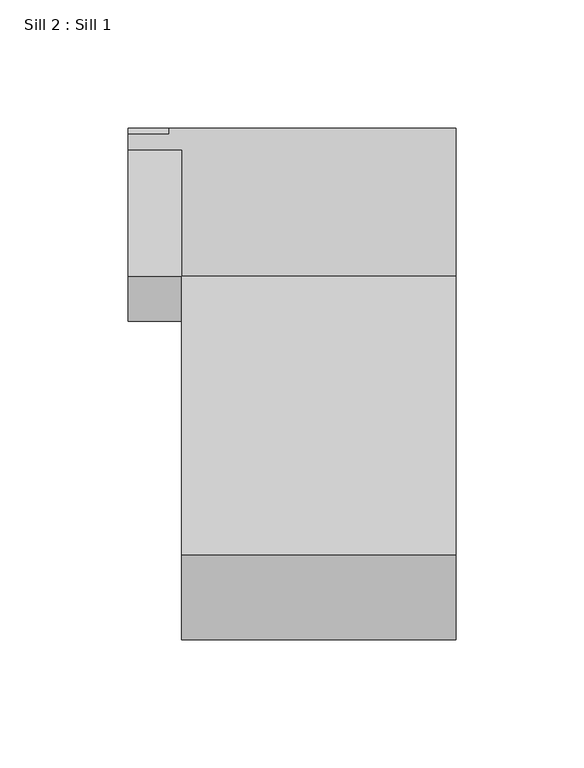
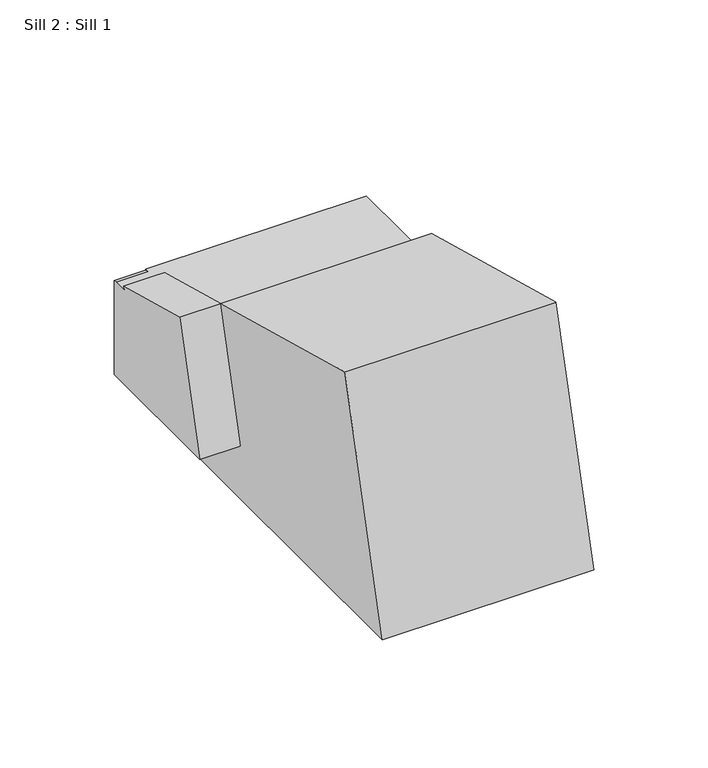
"""IFC4 building model written with IfcOpenShell, lengths in millimetres: proxy geometry, Sill 2 : Sill 1."""

from ifc_helpers import new_model, si_unit, origin, place, context, project, spatial, faceted_brep, source, transform, mapped, element, save


def sill_2_sill_1_778d44bc(model_context):
    return source(origin(), model_context, "Body", "Brep", [
        faceted_brep([(-5010.5881444, 397.8809419, 996.5483741), (-5010.5881444, 506.3892765, 967.4736534), (-5010.8484944, 506.3892765, 967.4736534), (-5117.4847818, 506.3892765, 967.4736534), (-5117.4847818, 397.8809419, 996.5483741), (-5010.8484944, 397.8809419, 996.5483741), (-5010.5881444, 364.8580655, 873.3053218), (-5010.5881444, 563.8682282, 873.3053218), (-5010.5881444, 563.8682282, 952.6803218), (-5010.5881444, 502.4254152, 952.6803218), (-5117.4847818, 364.8580655, 873.3053218), (-5117.4847818, 502.4254152, 952.6803218), (-5117.4847818, 488.8135962, 901.8803218), (-5117.4847818, 563.8682282, 901.8803218), (-5117.4847818, 563.8682282, 873.3053218), (-5138.1633868, 563.8682282, 901.8803218), (-5138.1633868, 563.8682282, 952.0722147), (-5122.217609, 563.8682282, 952.0722147), (-5122.217609, 563.8682282, 952.6803218), (-5122.217609, 561.5987419, 952.6803218), (-5138.1633868, 561.5987419, 952.6803218), (-5138.1633868, 555.0174452, 952.6803218), (-5117.4847818, 555.0174452, 952.6803218), (-5117.4847818, 502.4254152, 952.6803218), (-5138.1633868, 506.3892765, 967.4736534), (-5117.4847818, 549.3291449, 955.9679504), (-5117.4847818, 555.4583084, 954.325646), (-5122.217609, 555.4583084, 954.325646), (-5138.1633868, 555.4583084, 954.325646), (-5138.1633868, 488.8135962, 901.8803218)], [[[0, 1, 2, 3, 4, 5]], [[0, 6, 7, 8, 9, 1]], [[6, 0, 5, 4, 10]], [[10, 4, 3, 11, 12, 13, 14]], [[8, 7, 14, 13, 15, 16, 17, 18]], [[9, 8, 18, 19, 20, 21, 22, 23]], [[7, 6, 10, 14]], [[1, 9, 23, 3, 2]], [[24, 3, 25, 26, 27, 28]], [[24, 28, 21, 20, 16, 15, 29]], [[22, 21, 28, 27, 26]], [[23, 22, 26, 25, 3]], [[11, 3, 24, 29, 12]], [[13, 12, 29, 15]], [[17, 19, 18]], [[19, 17, 16, 20]]]),
    ])


if __name__ == "__main__":
    model = new_model("IFC4")
    model_context = context("Model", 3, world=origin())
    ifc_project = project(units=[si_unit("LENGTHUNIT", "METRE", prefix="MILLI")], contexts=[model_context])
    site = spatial("IfcSite", under=ifc_project)
    building = spatial("IfcBuilding", under=site)
    placement = place(None, origin())
    sill_2_sill_1_shape = sill_2_sill_1_778d44bc(model_context)
    element("IfcBuildingElementProxy", 1, Name="Sill 2 : Sill 1", ObjectType="Sill 2 : Sill 1", at=placement, inside=building, context=model_context, shape_type="MappedRepresentation", body=[
        mapped(sill_2_sill_1_shape, transform((0.0, 0.0, 0.0), x_axis=(1.0, 0.0, 0.0), y_axis=(0.0, 1.0, 0.0), z_axis=(0.0, 0.0, 1.0))),
    ])
    save(model, "model.ifc")
